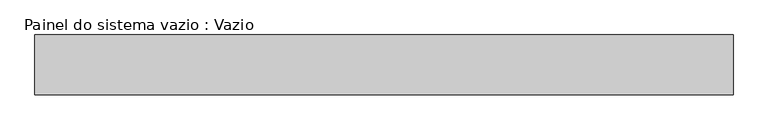
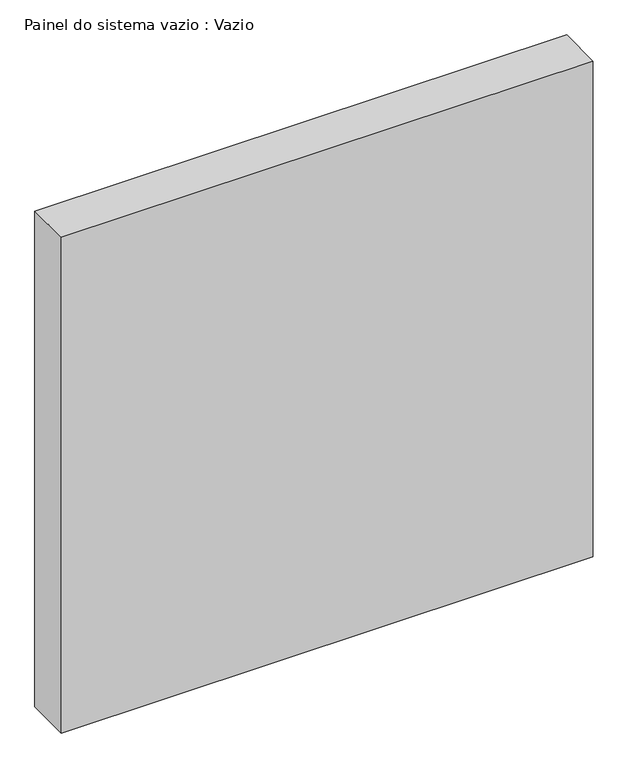
"""IFC4 building model written with IfcOpenShell, lengths in millimetres: plate geometry, Painel do sistema vazio : Vazio."""

from ifc_helpers import new_model, si_unit, origin, origin_with_axes, place, context, project, spatial, polyline, outline, extrude, source, transform, mapped, element, save


def painel_do_sistema_vazio_vazio_a73f4c71(model_context):
    return source(origin(), model_context, "Body", "SweptSolid", [
        extrude(outline(polyline([(582.5, -50.0), (-582.5, -50.0), (-582.5, 50.0), (582.5, 50.0), (582.5, -50.0)])), origin_with_axes(), (0.0, 0.0, 1.0), 1147.5),
    ])


if __name__ == "__main__":
    model = new_model("IFC4")
    model_context = context("Model", 3, world=origin())
    ifc_project = project(units=[si_unit("LENGTHUNIT", "METRE", prefix="MILLI")], contexts=[model_context])
    site = spatial("IfcSite", under=ifc_project)
    building = spatial("IfcBuilding", under=site)
    placement = place(None, origin())
    painel_do_sistema_vazio_vazio_shape = painel_do_sistema_vazio_vazio_a73f4c71(model_context)
    element("IfcPlate", 1, ObjectType="Painel do sistema vazio : Vazio", at=placement, inside=building, context=model_context, shape_type="MappedRepresentation", body=[
        mapped(painel_do_sistema_vazio_vazio_shape, transform((0.0, 0.0, 0.0), x_axis=(1.0, 0.0, 0.0), y_axis=(0.0, 1.0, 0.0), z_axis=(0.0, 0.0, 1.0))),
    ])
    save(model, "model.ifc")
